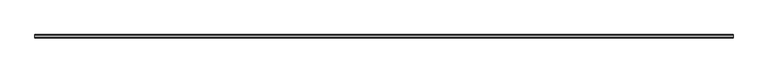
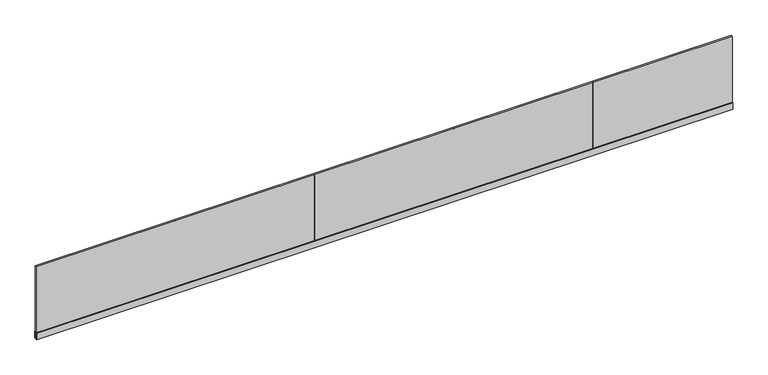
"""IFC4 building model written with IfcOpenShell, lengths in millimetres: railing geometry."""

import ifcopenshell
import ifcopenshell.guid

model = None  # the IFC model being written
_history = None  # IfcOwnerHistory: only IFC2X3 demands one
_inside = {}  # id of a spatial element -> (the spatial element, [elements in it])
_under = {}  # id of a project, library or spatial element -> (it, [spatial elements below it])
_declared = {}  # id of a project -> (the project, [libraries it declares])
_typed = {}  # id of a type object -> (the type object, [elements of that type])
_made_of = {}  # id of a material, layer set ... -> (it, [elements and type objects made of it])


def new_model(schema):
    """Start an empty IFC model of exactly this schema.

    Asked for "IFC4X3", IfcOpenShell would pick the latest addendum, in which some entities
    have other attributes; the version numbers below select the first issue.
    IFC2X3 requires an IfcOwnerHistory on every rooted entity: one is made here for all.
    """
    global model, _history
    if schema == "IFC4X3":
        model = ifcopenshell.file(schema_version=(4, 3, 0, 0))
    else:
        model = ifcopenshell.file(schema=schema)
    _inside.clear()
    _under.clear()
    _declared.clear()
    _typed.clear()
    _made_of.clear()
    _history = None
    if model.schema == "IFC2X3":
        org = make("IfcOrganization", Name="unknown")
        user = make(
            "IfcPersonAndOrganization",
            ThePerson=make("IfcPerson", FamilyName="unknown"),
            TheOrganization=org,
        )
        app = make(
            "IfcApplication",
            ApplicationDeveloper=org,
            Version="unknown",
            ApplicationFullName="unknown",
            ApplicationIdentifier="unknown",
        )
        _history = make(
            "IfcOwnerHistory",
            OwningUser=user,
            OwningApplication=app,
            ChangeAction="ADDED",
            CreationDate=0,
        )
    return model


def make(cls, **values):
    """One entity of the class cls with the attributes given. An attribute that is None is left unset."""
    return model.create_entity(
        cls, **{name: value for name, value in values.items() if value is not None}
    )


def rooted(cls, **values):
    """An entity with a GlobalId (a new one), such as an element, a storey or a relation."""
    return make(cls, GlobalId=ifcopenshell.guid.new(), OwnerHistory=_history, **values)


def si_unit(unit_type, name, prefix=None):
    """IfcSIUnit, for example si_unit("LENGTHUNIT", "METRE", prefix="MILLI")."""
    return make("IfcSIUnit", UnitType=unit_type, Prefix=prefix, Name=name)


def assignment(units):
    """IfcUnitAssignment: the units of a project."""
    return None if units is None else make("IfcUnitAssignment", Units=units)


def point(xyz):
    """IfcCartesianPoint."""
    return None if xyz is None else make("IfcCartesianPoint", Coordinates=xyz)


def direction(xyz):
    """IfcDirection."""
    return None if xyz is None else make("IfcDirection", DirectionRatios=xyz)


def frame(location, z_axis=None, x_axis=None):
    """IfcAxis2Placement3D, a coordinate frame: its origin and axes. An axis left out is left unset."""
    return make(
        "IfcAxis2Placement3D",
        Location=point(location),
        Axis=direction(z_axis),
        RefDirection=direction(x_axis),
    )


def origin():
    """The frame at (0, 0, 0) with its axes left unset."""
    return frame((0.0, 0.0, 0.0))


def place(relative_to, where):
    """IfcLocalPlacement: puts the frame where relative to a parent placement (None: the world)."""
    return make(
        "IfcLocalPlacement", PlacementRelTo=relative_to, RelativePlacement=where
    )


def context(
    kind, dimensions, precision=None, world=None, true_north=None, identifier=None
):
    """IfcGeometricRepresentationContext, for example the 3D "Model" context."""
    return make(
        "IfcGeometricRepresentationContext",
        ContextIdentifier=identifier,
        ContextType=kind,
        CoordinateSpaceDimension=dimensions,
        Precision=precision,
        WorldCoordinateSystem=world,
        TrueNorth=true_north,
    )


def project(units=None, contexts=None):
    """IfcProject with its units and contexts."""
    return rooted(
        "IfcProject",
        Name="project",
        RepresentationContexts=contexts,
        UnitsInContext=assignment(units),
    )


def spatial(cls, under=None, at=None, **own):
    """A site, building, storey or space (cls), placed at a placement, below another one or the project."""
    s = rooted(cls, ObjectPlacement=at, **own)
    if under is not None:
        _under.setdefault(under.id(), (under, []))[1].append(s)
    return s


def polyline(points):
    """IfcPolyline through the points."""
    return make("IfcPolyline", Points=[point(p) for p in points])


def outline(outer, holes=None, kind="AREA"):
    """IfcArbitraryClosedProfileDef: a profile drawn as a closed curve; with holes, ...WithVoids."""
    if holes is None:
        return make("IfcArbitraryClosedProfileDef", ProfileType=kind, OuterCurve=outer)
    return make(
        "IfcArbitraryProfileDefWithVoids",
        ProfileType=kind,
        OuterCurve=outer,
        InnerCurves=holes,
    )


def extrude(swept, where, along, depth):
    """IfcExtrudedAreaSolid: the profile swept, set in the frame where, extruded along a direction by depth."""
    return make(
        "IfcExtrudedAreaSolid",
        SweptArea=swept,
        Position=where,
        ExtrudedDirection=direction(along),
        Depth=depth,
    )


def shape(context_of_items, identifier, shape_type, items):
    """IfcShapeRepresentation: the items that make up one representation, for example the "Body"."""
    return make(
        "IfcShapeRepresentation",
        ContextOfItems=context_of_items,
        RepresentationIdentifier=identifier,
        RepresentationType=shape_type,
        Items=items,
    )


def source(mapping_origin, context_of_items, identifier, shape_type, items):
    """IfcRepresentationMap: a shape defined once, which mapped items show again and again."""
    return make(
        "IfcRepresentationMap",
        MappingOrigin=mapping_origin,
        MappedRepresentation=shape(context_of_items, identifier, shape_type, items),
    )


def transform(
    local_origin,
    x_axis=None,
    y_axis=None,
    z_axis=None,
    scale=None,
    scale2=None,
    scale3=None,
    uniform=True,
):
    """IfcCartesianTransformationOperator3D, or its non-uniform kind. x_axis, y_axis, z_axis: its Axis1, 2, 3."""
    if uniform:
        return make(
            "IfcCartesianTransformationOperator3D",
            Axis1=direction(x_axis),
            Axis2=direction(y_axis),
            LocalOrigin=point(local_origin),
            Scale=scale,
            Axis3=direction(z_axis),
        )
    return make(
        "IfcCartesianTransformationOperator3DnonUniform",
        Axis1=direction(x_axis),
        Axis2=direction(y_axis),
        LocalOrigin=point(local_origin),
        Scale=scale,
        Axis3=direction(z_axis),
        Scale2=scale2,
        Scale3=scale3,
    )


def mapped(mapping_source, mapping_target):
    """IfcMappedItem: shows the shape of a source again, moved by a transform."""
    return make(
        "IfcMappedItem", MappingSource=mapping_source, MappingTarget=mapping_target
    )


def made_of(thing, what):
    """Note that an element or type object is made of a material, layer set ...; save() writes the relation."""
    if what is not None:
        _made_of.setdefault(what.id(), (what, []))[1].append(thing)
    return thing


def element(
    cls,
    number,
    at=None,
    inside=None,
    cuts=None,
    type_object=None,
    material=None,
    context=None,
    identifier="Body",
    shape_type=None,
    held_by="IfcProductDefinitionShape",
    body=None,
    shapes=None,
    **own,
):
    """One element of the class cls, such as IfcWall. Its Tag is "e" and its number.

    at: its placement. inside: the storey or other place that contains it. cuts: it is an
    opening in that element (IfcRelVoidsElement). A single representation is given by context,
    identifier, shape_type and body (its items); several are given by shapes. held_by: the class
    of the entity that holds the representations. save() writes the other relations.
    """
    e = rooted(cls, Tag="e%d" % number, ObjectPlacement=at, **own)
    if body is not None:
        shapes = [shape(context, identifier, shape_type, body)]
    if shapes is not None:
        e.Representation = make(held_by, Representations=shapes)
    if inside is not None:
        _inside.setdefault(inside.id(), (inside, []))[1].append(e)
    if cuts is not None:
        rooted(
            "IfcRelVoidsElement", RelatingBuildingElement=cuts, RelatedOpeningElement=e
        )
    if type_object is not None:
        _typed.setdefault(type_object.id(), (type_object, []))[1].append(e)
    return made_of(e, material)


def aggregate(whole, parts):
    """IfcRelAggregates: a whole, such as a stair, and the parts it consists of."""
    return rooted("IfcRelAggregates", RelatingObject=whole, RelatedObjects=parts)


def save(model, path):
    """Write the relations noted so far, then the file.

    IfcRelAggregates (storeys below a building ...), IfcRelContainedInSpatialStructure (elements
    in a storey), IfcRelDefinesByType, IfcRelAssociatesMaterial and IfcRelDeclares: one each for
    every whole, place, type object, material and project.
    """
    for whole, parts in _under.values():
        aggregate(whole, parts)
    for where, things in _inside.values():
        rooted(
            "IfcRelContainedInSpatialStructure",
            RelatedElements=things,
            RelatingStructure=where,
        )
    for kind, things in _typed.values():
        rooted("IfcRelDefinesByType", RelatedObjects=things, RelatingType=kind)
    for what, things in _made_of.values():
        rooted("IfcRelAssociatesMaterial", RelatedObjects=things, RelatingMaterial=what)
    for by, libraries in _declared.values():
        rooted("IfcRelDeclares", RelatingContext=by, RelatedDefinitions=libraries)
    model.write(path)


def railing_bb4cda68(model_context):
    return source(origin(), model_context, "Body", "SweptSolid", [
        extrude(outline(polyline([(-3061.5739061, -3116.0675492), (-3061.5739061, -3137.5675492), (-13061.5739061, -3137.5675492), (-13061.5739061, -3116.0675492), (-3061.5739061, -3116.0675492)])), frame((0.0, 0.0, -92.0), z_axis=(0.0, 0.0, 1.0), x_axis=(1.0, 0.0, 0.0)), (0.0, 0.0, 1.0), 1092.0),
        extrude(outline(polyline([(-3103.8675492, -100.0), (-3126.8175492, -100.0), (-3149.7675492, -100.0), (-3149.7675492, 0.0), (-3137.5675492, 0.0), (-3137.5675492, -95.0), (-3126.8175492, -95.0), (-3116.0675492, -95.0), (-3116.0675492, 0.0), (-3103.8675492, 0.0), (-3103.8675492, -100.0)])), frame((-13061.5739061, 0.0, 0.0), z_axis=(1.0, 0.0, 0.0), x_axis=(0.0, 1.0, 0.0)), (0.0, 0.0, 1.0), 10000.0),
        extrude(outline(polyline([(-11063.2405711, -3137.5675492), (-11063.2405711, -3116.0675492), (-11059.9072411, -3116.0675492), (-11059.9072411, -3137.5675492), (-11063.2405711, -3137.5675492)])), frame((0.0, 0.0, -93.0), z_axis=(0.0, 0.0, 1.0), x_axis=(1.0, 0.0, 0.0)), (0.0, 0.0, 1.0), 1092.0),
        extrude(outline(polyline([(-9063.2405711, -3137.5675492), (-9063.2405711, -3116.0675492), (-9059.9072411, -3116.0675492), (-9059.9072411, -3137.5675492), (-9063.2405711, -3137.5675492)])), frame((0.0, 0.0, -93.0), z_axis=(0.0, 0.0, 1.0), x_axis=(1.0, 0.0, 0.0)), (0.0, 0.0, 1.0), 1092.0),
        extrude(outline(polyline([(-7063.2405711, -3137.5675492), (-7063.2405711, -3116.0675492), (-7059.9072411, -3116.0675492), (-7059.9072411, -3137.5675492), (-7063.2405711, -3137.5675492)])), frame((0.0, 0.0, -93.0), z_axis=(0.0, 0.0, 1.0), x_axis=(1.0, 0.0, 0.0)), (0.0, 0.0, 1.0), 1092.0),
        extrude(outline(polyline([(-5063.2405711, -3137.5675492), (-5063.2405711, -3116.0675492), (-5059.9072411, -3116.0675492), (-5059.9072411, -3137.5675492), (-5063.2405711, -3137.5675492)])), frame((0.0, 0.0, -93.0), z_axis=(0.0, 0.0, 1.0), x_axis=(1.0, 0.0, 0.0)), (0.0, 0.0, 1.0), 1092.0),
    ])


if __name__ == "__main__":
    model = new_model("IFC4")
    model_context = context("Model", 3, world=origin())
    ifc_project = project(units=[si_unit("LENGTHUNIT", "METRE", prefix="MILLI")], contexts=[model_context])
    site = spatial("IfcSite", under=ifc_project)
    building = spatial("IfcBuilding", under=site)
    placement = place(None, origin())
    railing_shape = railing_bb4cda68(model_context)
    element("IfcRailing", 1, at=placement, inside=building, context=model_context, shape_type="MappedRepresentation", body=[
        mapped(railing_shape, transform((0.0, 0.0, 0.0), x_axis=(1.0, 0.0, 0.0), y_axis=(0.0, 1.0, 0.0), z_axis=(0.0, 0.0, 1.0))),
    ])
    save(model, "model.ifc")
